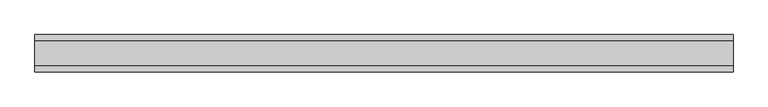
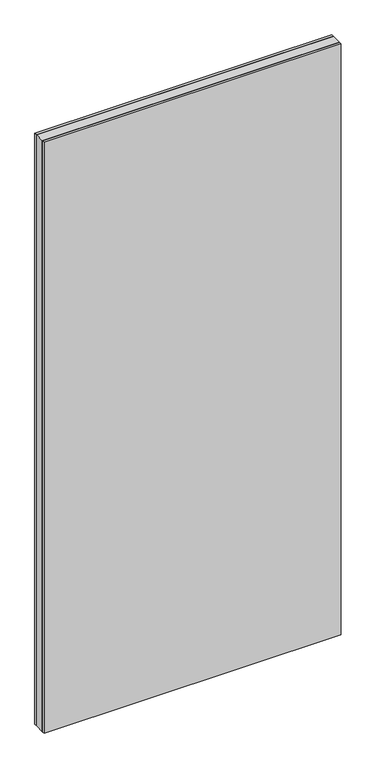
"""IFC4 building model written with IfcOpenShell, lengths in millimetres: plate geometry."""

from ifc_helpers import new_model, si_unit, origin, origin_with_axes, place, context, project, spatial, polyline, outline, extrude, source, transform, mapped, element, save


def plate_d5d74351(model_context):
    return source(origin(), model_context, "Body", "SweptSolid", [
        extrude(outline(polyline([(699.003037, 24.2), (699.003037, -24.2), (-699.003037, -24.2), (-699.003037, 24.2), (699.003037, 24.2)])), origin_with_axes(), (0.0, 0.0, 1.0), 2936.0),
        extrude(outline(polyline([(699.003037, 37.2), (699.003037, 24.2), (-699.003037, 24.2), (-699.003037, 37.2), (699.003037, 37.2)])), origin_with_axes(), (0.0, 0.0, 1.0), 2936.0),
        extrude(outline(polyline([(-699.003037, -37.2), (-699.003037, -24.2), (699.003037, -24.2), (699.003037, -37.2), (-699.003037, -37.2)])), origin_with_axes(), (0.0, 0.0, 1.0), 2936.0),
    ])


if __name__ == "__main__":
    model = new_model("IFC4")
    model_context = context("Model", 3, world=origin())
    ifc_project = project(units=[si_unit("LENGTHUNIT", "METRE", prefix="MILLI")], contexts=[model_context])
    site = spatial("IfcSite", under=ifc_project)
    building = spatial("IfcBuilding", under=site)
    placement = place(None, origin())
    plate_shape = plate_d5d74351(model_context)
    element("IfcPlate", 1, at=placement, inside=building, context=model_context, shape_type="MappedRepresentation", body=[
        mapped(plate_shape, transform((0.0, 0.0, 0.0), x_axis=(1.0, 0.0, 0.0), y_axis=(0.0, 1.0, 0.0), z_axis=(0.0, 0.0, 1.0))),
    ])
    save(model, "model.ifc")
